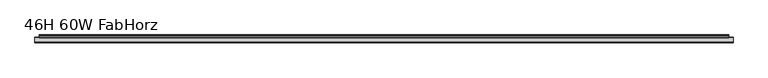
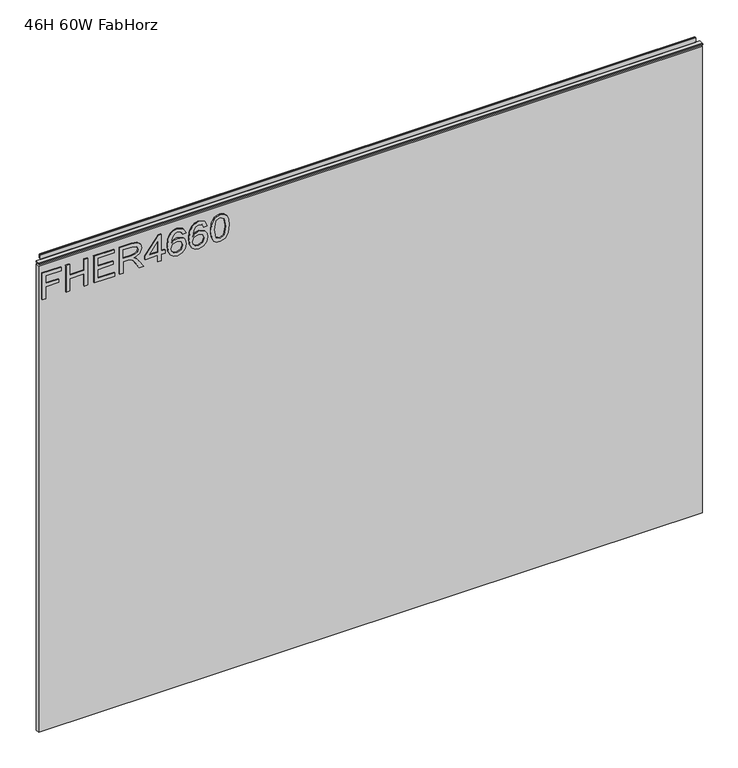
"""IFC4 building model written with IfcOpenShell, lengths in millimetres: furniture geometry, 46H 60W FabHorz."""

from ifc_helpers import new_model, si_unit, frame, origin, place, context, project, spatial, polyline, outline, extrude, source, transform, mapped, element, save


def furniture_46h_60w_fabhorz_f48c16d4(model_context):
    return source(origin(), model_context, "Body", "SweptSolid", [
        extrude(outline(polyline([(1053.0078, -291.2189953), (1053.0078, -283.2452757), (1081.9125336, -283.2452757), (1081.9125336, -253.3438271), (1089.8862532, -253.3438271), (1089.8862532, -283.2452757), (1108.8238373, -283.2452757), (1108.8238373, -248.3602524), (1116.7975569, -248.3602524), (1116.7975569, -291.2189953), (1053.0078, -291.2189953)])), frame((0.0, -5.5562439, 0.0), z_axis=(0.0, 1.0, 0.0), x_axis=(0.0, 0.0, 1.0)), (0.0, 0.0, 1.0), 2.38125),
        extrude(outline(polyline([(1053.0078, -237.3963879), (1053.0078, -229.4226683), (1082.9092486, -229.4226683), (1082.9092486, -195.5343599), (1053.0078, -195.5343599), (1053.0078, -187.5606403), (1116.7975569, -187.5606403), (1116.7975569, -195.5343599), (1090.8829682, -195.5343599), (1090.8829682, -229.4226683), (1116.7975569, -229.4226683), (1116.7975569, -237.3963879), (1053.0078, -237.3963879)])), frame((0.0, -5.5562439, 0.0), z_axis=(0.0, 1.0, 0.0), x_axis=(0.0, 0.0, 1.0)), (0.0, 0.0, 1.0), 2.38125),
        extrude(outline(polyline([(1053.0078, -173.606631), (1053.0078, -126.7610282), (1060.9815196, -126.7610282), (1060.9815196, -165.6329113), (1081.9125336, -165.6329113), (1081.9125336, -129.7511731), (1089.8862532, -129.7511731), (1089.8862532, -165.6329113), (1108.8238373, -165.6329113), (1108.8238373, -127.7577432), (1116.7975569, -127.7577432), (1116.7975569, -173.606631), (1053.0078, -173.606631)])), frame((0.0, -5.5562439, 0.0), z_axis=(0.0, 1.0, 0.0), x_axis=(0.0, 0.0, 1.0)), (0.0, 0.0, 1.0), 2.38125),
        extrude(outline(polyline([(1053.0078, -114.8004488), (1053.0078, -106.8267292), (1080.9158187, -106.8267292), (1080.9158187, -97.2022004), (1080.6354926, -92.5768201), (1079.1170596, -88.7846312), (1074.98225, -84.5719531), (1066.2298468, -78.5760897), (1053.0078, -70.275323), (1053.0078, -61.0089887), (1070.294575, -71.6458061), (1078.5018996, -78.1088796), (1081.9125336, -82.6408179), (1087.8461023, -69.2863949), (1099.3394716, -64.9647012), (1108.9873609, -67.5732911), (1115.0766663, -74.5502957), (1116.7975569, -87.3129192), (1116.7975569, -114.8004488), (1053.0078, -114.8004488)]), holes=[polyline([(1088.8895383, -106.8267292), (1108.8238373, -106.8267292), (1108.8238373, -86.9702985), (1106.0672975, -76.3101206), (1099.0435719, -72.9384208), (1093.6317211, -74.7060325), (1090.0186294, -79.8764913), (1088.8895383, -88.9793021), (1088.8895383, -106.8267292)])]), frame((0.0, -5.5562439, 0.0), z_axis=(0.0, 1.0, 0.0), x_axis=(0.0, 0.0, 1.0)), (0.0, 0.0, 1.0), 2.38125),
        extrude(outline(polyline([(1053.0078, -28.0862479), (1053.0078, -20.1125283), (1067.9585243, -20.1125283), (1067.9585243, -12.1388087), (1075.9322439, -12.1388087), (1075.9322439, -20.1125283), (1115.800842, -20.1125283), (1115.800842, -26.092818), (1075.9322439, -56.9909816), (1067.9585243, -56.9909816), (1067.9585243, -28.0862479), (1053.0078, -28.0862479)]), holes=[polyline([(1075.9322439, -28.0862479), (1075.9322439, -47.1795687), (1100.5697916, -28.0862479), (1075.9322439, -28.0862479)])]), frame((0.0, -5.5562439, 0.0), z_axis=(0.0, 1.0, 0.0), x_axis=(0.0, 0.0, 1.0)), (0.0, 0.0, 1.0), 2.38125),
        extrude(outline(polyline([(1099.8534028, 35.703509), (1112.296766, 29.8166613), (1116.7975569, 17.2175614), (1114.9793308, 7.9629073), (1109.5246525, 0.8184857), (1098.6659103, -4.4142678), (1082.7846592, -6.158519), (1068.6593395, -4.5875249), (1059.1749738, 0.1254573), (1053.8020572, 7.3302269), (1052.011085, 16.3765831), (1054.713117, 26.8265165), (1062.4999526, 34.0682735), (1073.5027512, 36.700224), (1081.6750351, 35.302487), (1088.1887231, 31.109276), (1093.873113, 17.5601821), (1091.7940279, 8.8467131), (1085.4321833, 1.8152006), (1099.6431582, 4.0811698), (1106.8927021, 9.5241678), (1108.8238373, 16.7192039), (1105.5066454, 24.7084972), (1098.8566878, 27.7297894), (1099.8534028, 35.703509)]), holes=[polyline([(1073.6273406, 1.8152006), (1082.51212, 5.7786999), (1085.8993934, 15.4265892), (1082.51212, 25.1990678), (1073.2379988, 28.7265043), (1063.5511754, 25.1523468), (1059.9848047, 15.7536363), (1061.7056953, 8.5663871), (1066.7204174, 3.6606807), (1073.6273406, 1.8152006)])]), frame((0.0, -5.5562439, 0.0), z_axis=(0.0, 1.0, 0.0), x_axis=(0.0, 0.0, 1.0)), (0.0, 0.0, 1.0), 2.38125),
        extrude(outline(polyline([(1099.8534028, 84.5425417), (1112.296766, 78.655694), (1116.7975569, 66.056594), (1114.9793308, 56.80194), (1109.5246525, 49.6575183), (1098.6659103, 44.4247648), (1082.7846592, 42.6805137), (1068.6593395, 44.2515078), (1059.1749738, 48.96449), (1053.8020572, 56.1692596), (1052.011085, 65.2156158), (1054.713117, 75.6655491), (1062.4999526, 82.9073062), (1073.5027512, 85.5392566), (1081.6750351, 84.1415196), (1088.1887231, 79.9483087), (1093.873113, 66.3992148), (1091.7940279, 57.6857458), (1085.4321833, 50.6542333), (1099.6431582, 52.9202024), (1106.8927021, 58.3632005), (1108.8238373, 65.5582366), (1105.5066454, 73.5475299), (1098.8566878, 76.5688221), (1099.8534028, 84.5425417)]), holes=[polyline([(1073.6273406, 50.6542333), (1082.51212, 54.6177326), (1085.8993934, 64.2656219), (1082.51212, 74.0381005), (1073.2379988, 77.565537), (1063.5511754, 73.9913795), (1059.9848047, 64.592669), (1061.7056953, 57.4054197), (1066.7204174, 52.4997133), (1073.6273406, 50.6542333)])]), frame((0.0, -5.5562439, 0.0), z_axis=(0.0, 1.0, 0.0), x_axis=(0.0, 0.0, 1.0)), (0.0, 0.0, 1.0), 2.38125),
        extrude(outline(polyline([(1084.3887473, 92.5162613), (1068.8734775, 94.1047757), (1058.0848168, 98.8703191), (1053.529518, 105.1620822), (1052.011085, 113.4472753), (1055.5073742, 125.1197418), (1066.1130443, 132.0578123), (1084.3887473, 134.3782893), (1099.3784058, 132.9299379), (1108.8160505, 129.1922568), (1114.7418324, 122.7603306), (1116.7975569, 113.4472753), (1113.3246283, 101.8215298), (1102.7423188, 94.8600988), (1084.3887473, 92.5162613)]), holes=[polyline([(1084.404321, 100.4899809), (1104.5566514, 104.3522513), (1108.8238373, 113.3538333), (1103.9804256, 122.791478), (1084.404321, 126.4045697), (1064.6179718, 122.6668886), (1059.9848047, 113.4472753), (1064.6023982, 104.227662), (1084.404321, 100.4899809)])]), frame((0.0, -5.5562439, 0.0), z_axis=(0.0, 1.0, 0.0), x_axis=(0.0, 0.0, 1.0)), (0.0, 0.0, 1.0), 2.38125),
        extrude(outline(polyline([(5.5562561, 1143.0), (6.3500061, 1143.0), (6.3500061, 1152.87425), (7.1437561, 1153.668), (8.6677569, 1153.668), (10.0084363, 1153.2506926), (10.875413, 1152.1461816), (10.9623604, 1150.7447591), (10.2390011, 1147.7863459), (10.4046103, 1146.5833307), (11.6746103, 1144.3836103), (10.7786383, 1143.8663244), (7.1437561, 1143.8663244), (7.1437561, 1143.0), (6.3500061, 1142.7669239), (6.3500061, 1135.5578), (5.5562561, 1135.5578), (5.5562561, 1143.0)])), frame((-288.671, 0.0, 0.0), z_axis=(1.0, 0.0, 0.0), x_axis=(0.0, 1.0, 0.0)), (0.0, 0.0, 1.0), 1491.742),
        extrude(outline(polyline([(5.5562561, 1143.0), (5.5562561, 1139.8249996), (-3.975094, 1139.8249996), (-5.3492339, 1140.6183657), (-5.3492339, 1142.2066395), (-3.9751037, 1143.0), (5.5562561, 1143.0)])), frame((-298.196, 0.0, 0.0), z_axis=(1.0, 0.0, 0.0), x_axis=(0.0, 1.0, 0.0)), (0.0, 0.0, 1.0), 1510.792),
        extrude(outline(polyline([(1212.596, 6.3500061), (1212.596, -3.1749939), (-298.196, -3.1749939), (-298.196, 6.3500061), (1212.596, 6.3500061)])), frame((0.0, 0.0, 13.5381927), z_axis=(0.0, 0.0, 1.0), x_axis=(1.0, 0.0, 0.0)), (0.0, 0.0, 1.0), 1122.0196073),
    ])


if __name__ == "__main__":
    model = new_model("IFC4")
    model_context = context("Model", 3, world=origin())
    ifc_project = project(units=[si_unit("LENGTHUNIT", "METRE", prefix="MILLI")], contexts=[model_context])
    site = spatial("IfcSite", under=ifc_project)
    building = spatial("IfcBuilding", under=site)
    placement = place(None, origin())
    furniture_46h_60w_fabhorz_shape = furniture_46h_60w_fabhorz_f48c16d4(model_context)
    element("IfcFurniture", 1, ObjectType="46H 60W FabHorz", at=placement, inside=building, context=model_context, shape_type="MappedRepresentation", body=[
        mapped(furniture_46h_60w_fabhorz_shape, transform((0.0, 0.0, 0.0), x_axis=(1.0, 0.0, 0.0), y_axis=(0.0, 1.0, 0.0), z_axis=(0.0, 0.0, 1.0))),
    ])
    save(model, "model.ifc")
